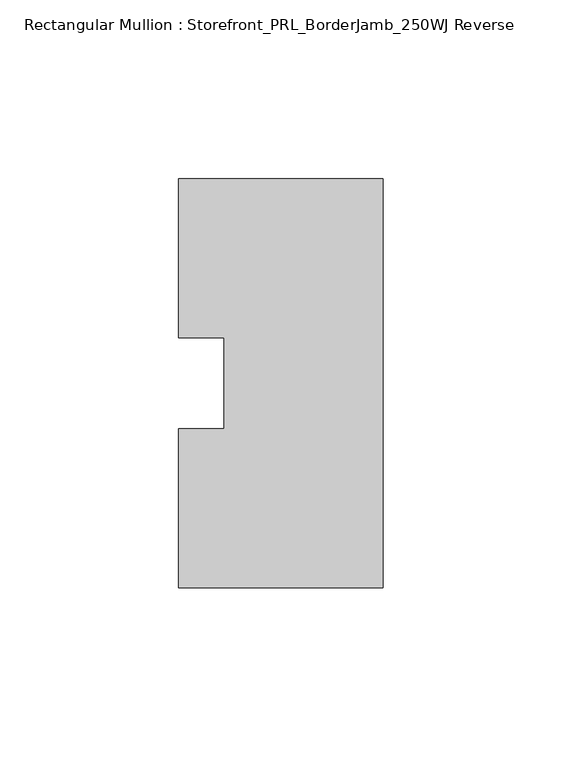
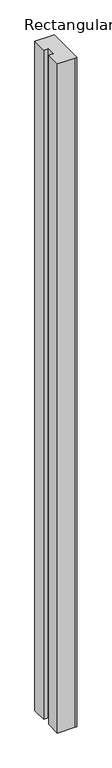
"""IFC4 building model written with IfcOpenShell, lengths in millimetres: member geometry, Rectangular Mullion : Storefront_PRL_BorderJamb_250WJ Reverse."""

import ifcopenshell
import ifcopenshell.guid

model = None  # the IFC model being written
_history = None  # IfcOwnerHistory: only IFC2X3 demands one
_inside = {}  # id of a spatial element -> (the spatial element, [elements in it])
_under = {}  # id of a project, library or spatial element -> (it, [spatial elements below it])
_declared = {}  # id of a project -> (the project, [libraries it declares])
_typed = {}  # id of a type object -> (the type object, [elements of that type])
_made_of = {}  # id of a material, layer set ... -> (it, [elements and type objects made of it])


def new_model(schema):
    """Start an empty IFC model of exactly this schema.

    Asked for "IFC4X3", IfcOpenShell would pick the latest addendum, in which some entities
    have other attributes; the version numbers below select the first issue.
    IFC2X3 requires an IfcOwnerHistory on every rooted entity: one is made here for all.
    """
    global model, _history
    if schema == "IFC4X3":
        model = ifcopenshell.file(schema_version=(4, 3, 0, 0))
    else:
        model = ifcopenshell.file(schema=schema)
    _inside.clear()
    _under.clear()
    _declared.clear()
    _typed.clear()
    _made_of.clear()
    _history = None
    if model.schema == "IFC2X3":
        org = make("IfcOrganization", Name="unknown")
        user = make(
            "IfcPersonAndOrganization",
            ThePerson=make("IfcPerson", FamilyName="unknown"),
            TheOrganization=org,
        )
        app = make(
            "IfcApplication",
            ApplicationDeveloper=org,
            Version="unknown",
            ApplicationFullName="unknown",
            ApplicationIdentifier="unknown",
        )
        _history = make(
            "IfcOwnerHistory",
            OwningUser=user,
            OwningApplication=app,
            ChangeAction="ADDED",
            CreationDate=0,
        )
    return model


def make(cls, **values):
    """One entity of the class cls with the attributes given. An attribute that is None is left unset."""
    return model.create_entity(
        cls, **{name: value for name, value in values.items() if value is not None}
    )


def rooted(cls, **values):
    """An entity with a GlobalId (a new one), such as an element, a storey or a relation."""
    return make(cls, GlobalId=ifcopenshell.guid.new(), OwnerHistory=_history, **values)


def si_unit(unit_type, name, prefix=None):
    """IfcSIUnit, for example si_unit("LENGTHUNIT", "METRE", prefix="MILLI")."""
    return make("IfcSIUnit", UnitType=unit_type, Prefix=prefix, Name=name)


def assignment(units):
    """IfcUnitAssignment: the units of a project."""
    return None if units is None else make("IfcUnitAssignment", Units=units)


def point(xyz):
    """IfcCartesianPoint."""
    return None if xyz is None else make("IfcCartesianPoint", Coordinates=xyz)


def direction(xyz):
    """IfcDirection."""
    return None if xyz is None else make("IfcDirection", DirectionRatios=xyz)


def frame(location, z_axis=None, x_axis=None):
    """IfcAxis2Placement3D, a coordinate frame: its origin and axes. An axis left out is left unset."""
    return make(
        "IfcAxis2Placement3D",
        Location=point(location),
        Axis=direction(z_axis),
        RefDirection=direction(x_axis),
    )


def origin():
    """The frame at (0, 0, 0) with its axes left unset."""
    return frame((0.0, 0.0, 0.0))


def place(relative_to, where):
    """IfcLocalPlacement: puts the frame where relative to a parent placement (None: the world)."""
    return make(
        "IfcLocalPlacement", PlacementRelTo=relative_to, RelativePlacement=where
    )


def context(
    kind, dimensions, precision=None, world=None, true_north=None, identifier=None
):
    """IfcGeometricRepresentationContext, for example the 3D "Model" context."""
    return make(
        "IfcGeometricRepresentationContext",
        ContextIdentifier=identifier,
        ContextType=kind,
        CoordinateSpaceDimension=dimensions,
        Precision=precision,
        WorldCoordinateSystem=world,
        TrueNorth=true_north,
    )


def project(units=None, contexts=None):
    """IfcProject with its units and contexts."""
    return rooted(
        "IfcProject",
        Name="project",
        RepresentationContexts=contexts,
        UnitsInContext=assignment(units),
    )


def spatial(cls, under=None, at=None, **own):
    """A site, building, storey or space (cls), placed at a placement, below another one or the project."""
    s = rooted(cls, ObjectPlacement=at, **own)
    if under is not None:
        _under.setdefault(under.id(), (under, []))[1].append(s)
    return s


def polyline(points):
    """IfcPolyline through the points."""
    return make("IfcPolyline", Points=[point(p) for p in points])


def outline(outer, holes=None, kind="AREA"):
    """IfcArbitraryClosedProfileDef: a profile drawn as a closed curve; with holes, ...WithVoids."""
    if holes is None:
        return make("IfcArbitraryClosedProfileDef", ProfileType=kind, OuterCurve=outer)
    return make(
        "IfcArbitraryProfileDefWithVoids",
        ProfileType=kind,
        OuterCurve=outer,
        InnerCurves=holes,
    )


def extrude(swept, where, along, depth):
    """IfcExtrudedAreaSolid: the profile swept, set in the frame where, extruded along a direction by depth."""
    return make(
        "IfcExtrudedAreaSolid",
        SweptArea=swept,
        Position=where,
        ExtrudedDirection=direction(along),
        Depth=depth,
    )


def shape(context_of_items, identifier, shape_type, items):
    """IfcShapeRepresentation: the items that make up one representation, for example the "Body"."""
    return make(
        "IfcShapeRepresentation",
        ContextOfItems=context_of_items,
        RepresentationIdentifier=identifier,
        RepresentationType=shape_type,
        Items=items,
    )


def source(mapping_origin, context_of_items, identifier, shape_type, items):
    """IfcRepresentationMap: a shape defined once, which mapped items show again and again."""
    return make(
        "IfcRepresentationMap",
        MappingOrigin=mapping_origin,
        MappedRepresentation=shape(context_of_items, identifier, shape_type, items),
    )


def transform(
    local_origin,
    x_axis=None,
    y_axis=None,
    z_axis=None,
    scale=None,
    scale2=None,
    scale3=None,
    uniform=True,
):
    """IfcCartesianTransformationOperator3D, or its non-uniform kind. x_axis, y_axis, z_axis: its Axis1, 2, 3."""
    if uniform:
        return make(
            "IfcCartesianTransformationOperator3D",
            Axis1=direction(x_axis),
            Axis2=direction(y_axis),
            LocalOrigin=point(local_origin),
            Scale=scale,
            Axis3=direction(z_axis),
        )
    return make(
        "IfcCartesianTransformationOperator3DnonUniform",
        Axis1=direction(x_axis),
        Axis2=direction(y_axis),
        LocalOrigin=point(local_origin),
        Scale=scale,
        Axis3=direction(z_axis),
        Scale2=scale2,
        Scale3=scale3,
    )


def mapped(mapping_source, mapping_target):
    """IfcMappedItem: shows the shape of a source again, moved by a transform."""
    return make(
        "IfcMappedItem", MappingSource=mapping_source, MappingTarget=mapping_target
    )


def made_of(thing, what):
    """Note that an element or type object is made of a material, layer set ...; save() writes the relation."""
    if what is not None:
        _made_of.setdefault(what.id(), (what, []))[1].append(thing)
    return thing


def element(
    cls,
    number,
    at=None,
    inside=None,
    cuts=None,
    type_object=None,
    material=None,
    context=None,
    identifier="Body",
    shape_type=None,
    held_by="IfcProductDefinitionShape",
    body=None,
    shapes=None,
    **own,
):
    """One element of the class cls, such as IfcWall. Its Tag is "e" and its number.

    at: its placement. inside: the storey or other place that contains it. cuts: it is an
    opening in that element (IfcRelVoidsElement). A single representation is given by context,
    identifier, shape_type and body (its items); several are given by shapes. held_by: the class
    of the entity that holds the representations. save() writes the other relations.
    """
    e = rooted(cls, Tag="e%d" % number, ObjectPlacement=at, **own)
    if body is not None:
        shapes = [shape(context, identifier, shape_type, body)]
    if shapes is not None:
        e.Representation = make(held_by, Representations=shapes)
    if inside is not None:
        _inside.setdefault(inside.id(), (inside, []))[1].append(e)
    if cuts is not None:
        rooted(
            "IfcRelVoidsElement", RelatingBuildingElement=cuts, RelatedOpeningElement=e
        )
    if type_object is not None:
        _typed.setdefault(type_object.id(), (type_object, []))[1].append(e)
    return made_of(e, material)


def aggregate(whole, parts):
    """IfcRelAggregates: a whole, such as a stair, and the parts it consists of."""
    return rooted("IfcRelAggregates", RelatingObject=whole, RelatedObjects=parts)


def save(model, path):
    """Write the relations noted so far, then the file.

    IfcRelAggregates (storeys below a building ...), IfcRelContainedInSpatialStructure (elements
    in a storey), IfcRelDefinesByType, IfcRelAssociatesMaterial and IfcRelDeclares: one each for
    every whole, place, type object, material and project.
    """
    for whole, parts in _under.values():
        aggregate(whole, parts)
    for where, things in _inside.values():
        rooted(
            "IfcRelContainedInSpatialStructure",
            RelatedElements=things,
            RelatingStructure=where,
        )
    for kind, things in _typed.values():
        rooted("IfcRelDefinesByType", RelatedObjects=things, RelatingType=kind)
    for what, things in _made_of.values():
        rooted("IfcRelAssociatesMaterial", RelatedObjects=things, RelatingMaterial=what)
    for by, libraries in _declared.values():
        rooted("IfcRelDeclares", RelatingContext=by, RelatedDefinitions=libraries)
    model.write(path)


def rectangular_mullion_storefront_prl_borderjamb_250wj_reverse_53bd91e9(model_context):
    return source(origin(), model_context, "Body", "SweptSolid", [
        extrude(outline(polyline([(-44.45, -12.7), (-44.45, 12.7), (-57.15, 12.7), (-57.15, 57.15), (-7.3958824, 57.15), (0.0, 57.15), (0.0, -57.15), (-6.35, -57.15), (-57.15, -57.15), (-57.15, -12.7), (-44.45, -12.7)])), frame((0.0, 0.0, -2072.48125), z_axis=(0.0, 0.0, 1.0), x_axis=(1.0, 0.0, 0.0)), (0.0, 0.0, 1.0), 2072.48125),
    ])


if __name__ == "__main__":
    model = new_model("IFC4")
    model_context = context("Model", 3, world=origin())
    ifc_project = project(units=[si_unit("LENGTHUNIT", "METRE", prefix="MILLI")], contexts=[model_context])
    site = spatial("IfcSite", under=ifc_project)
    building = spatial("IfcBuilding", under=site)
    placement = place(None, origin())
    rectangular_mullion_storefront_prl_borderjamb_250wj_reverse_shape = rectangular_mullion_storefront_prl_borderjamb_250wj_reverse_53bd91e9(model_context)
    element("IfcMember", 1, ObjectType="Rectangular Mullion : Storefront_PRL_BorderJamb_250WJ Reverse", at=placement, inside=building, context=model_context, shape_type="MappedRepresentation", body=[
        mapped(rectangular_mullion_storefront_prl_borderjamb_250wj_reverse_shape, transform((0.0, 0.0, 0.0), x_axis=(1.0, 0.0, 0.0), y_axis=(0.0, 1.0, 0.0), z_axis=(0.0, 0.0, 1.0))),
    ])
    save(model, "model.ifc")
